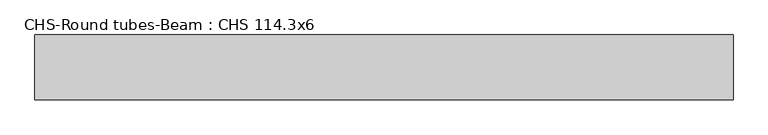
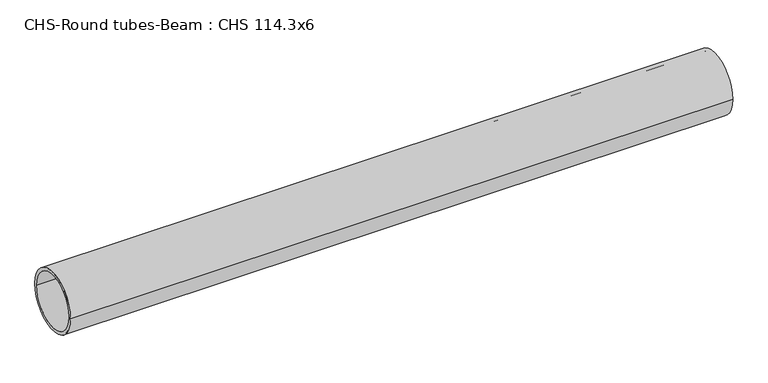
"""IFC4 building model written with IfcOpenShell, lengths in millimetres: beam geometry, CHS-Round tubes-Beam : CHS 114.3x6."""

import ifcopenshell
import ifcopenshell.guid

model = None  # the IFC model being written
_history = None  # IfcOwnerHistory: only IFC2X3 demands one
_inside = {}  # id of a spatial element -> (the spatial element, [elements in it])
_under = {}  # id of a project, library or spatial element -> (it, [spatial elements below it])
_declared = {}  # id of a project -> (the project, [libraries it declares])
_typed = {}  # id of a type object -> (the type object, [elements of that type])
_made_of = {}  # id of a material, layer set ... -> (it, [elements and type objects made of it])


def new_model(schema):
    """Start an empty IFC model of exactly this schema.

    Asked for "IFC4X3", IfcOpenShell would pick the latest addendum, in which some entities
    have other attributes; the version numbers below select the first issue.
    IFC2X3 requires an IfcOwnerHistory on every rooted entity: one is made here for all.
    """
    global model, _history
    if schema == "IFC4X3":
        model = ifcopenshell.file(schema_version=(4, 3, 0, 0))
    else:
        model = ifcopenshell.file(schema=schema)
    _inside.clear()
    _under.clear()
    _declared.clear()
    _typed.clear()
    _made_of.clear()
    _history = None
    if model.schema == "IFC2X3":
        org = make("IfcOrganization", Name="unknown")
        user = make(
            "IfcPersonAndOrganization",
            ThePerson=make("IfcPerson", FamilyName="unknown"),
            TheOrganization=org,
        )
        app = make(
            "IfcApplication",
            ApplicationDeveloper=org,
            Version="unknown",
            ApplicationFullName="unknown",
            ApplicationIdentifier="unknown",
        )
        _history = make(
            "IfcOwnerHistory",
            OwningUser=user,
            OwningApplication=app,
            ChangeAction="ADDED",
            CreationDate=0,
        )
    return model


def make(cls, **values):
    """One entity of the class cls with the attributes given. An attribute that is None is left unset."""
    return model.create_entity(
        cls, **{name: value for name, value in values.items() if value is not None}
    )


def rooted(cls, **values):
    """An entity with a GlobalId (a new one), such as an element, a storey or a relation."""
    return make(cls, GlobalId=ifcopenshell.guid.new(), OwnerHistory=_history, **values)


def si_unit(unit_type, name, prefix=None):
    """IfcSIUnit, for example si_unit("LENGTHUNIT", "METRE", prefix="MILLI")."""
    return make("IfcSIUnit", UnitType=unit_type, Prefix=prefix, Name=name)


def assignment(units):
    """IfcUnitAssignment: the units of a project."""
    return None if units is None else make("IfcUnitAssignment", Units=units)


def point(xyz):
    """IfcCartesianPoint."""
    return None if xyz is None else make("IfcCartesianPoint", Coordinates=xyz)


def direction(xyz):
    """IfcDirection."""
    return None if xyz is None else make("IfcDirection", DirectionRatios=xyz)


def frame(location, z_axis=None, x_axis=None):
    """IfcAxis2Placement3D, a coordinate frame: its origin and axes. An axis left out is left unset."""
    return make(
        "IfcAxis2Placement3D",
        Location=point(location),
        Axis=direction(z_axis),
        RefDirection=direction(x_axis),
    )


def frame_2d(location, x_axis=None):
    """IfcAxis2Placement2D, a coordinate frame in the plane: its origin and x axis."""
    return make(
        "IfcAxis2Placement2D", Location=point(location), RefDirection=direction(x_axis)
    )


def origin():
    """The frame at (0, 0, 0) with its axes left unset."""
    return frame((0.0, 0.0, 0.0))


def origin_2d():
    """The frame at (0, 0) in the plane with its x axis left unset."""
    return frame_2d((0.0, 0.0))


def place(relative_to, where):
    """IfcLocalPlacement: puts the frame where relative to a parent placement (None: the world)."""
    return make(
        "IfcLocalPlacement", PlacementRelTo=relative_to, RelativePlacement=where
    )


def context(
    kind, dimensions, precision=None, world=None, true_north=None, identifier=None
):
    """IfcGeometricRepresentationContext, for example the 3D "Model" context."""
    return make(
        "IfcGeometricRepresentationContext",
        ContextIdentifier=identifier,
        ContextType=kind,
        CoordinateSpaceDimension=dimensions,
        Precision=precision,
        WorldCoordinateSystem=world,
        TrueNorth=true_north,
    )


def project(units=None, contexts=None):
    """IfcProject with its units and contexts."""
    return rooted(
        "IfcProject",
        Name="project",
        RepresentationContexts=contexts,
        UnitsInContext=assignment(units),
    )


def spatial(cls, under=None, at=None, **own):
    """A site, building, storey or space (cls), placed at a placement, below another one or the project."""
    s = rooted(cls, ObjectPlacement=at, **own)
    if under is not None:
        _under.setdefault(under.id(), (under, []))[1].append(s)
    return s


def circle_curve(where, radius):
    """IfcCircle in the frame where."""
    return make("IfcCircle", Position=where, Radius=radius)


def trimmed(basis, trim1, trim2, sense, master):
    """IfcTrimmedCurve: the piece of a basis curve between two trims."""
    return make(
        "IfcTrimmedCurve",
        BasisCurve=basis,
        Trim1=trim1,
        Trim2=trim2,
        SenseAgreement=sense,
        MasterRepresentation=master,
    )


def segment(curve, same_sense, transition):
    """IfcCompositeCurveSegment."""
    return make(
        "IfcCompositeCurveSegment",
        Transition=transition,
        SameSense=same_sense,
        ParentCurve=curve,
    )


def composite_curve(segments, self_intersect=None):
    """IfcCompositeCurve: segments joined end to end."""
    return make("IfcCompositeCurve", Segments=segments, SelfIntersect=self_intersect)


def outline(outer, holes=None, kind="AREA"):
    """IfcArbitraryClosedProfileDef: a profile drawn as a closed curve; with holes, ...WithVoids."""
    if holes is None:
        return make("IfcArbitraryClosedProfileDef", ProfileType=kind, OuterCurve=outer)
    return make(
        "IfcArbitraryProfileDefWithVoids",
        ProfileType=kind,
        OuterCurve=outer,
        InnerCurves=holes,
    )


def extrude(swept, where, along, depth):
    """IfcExtrudedAreaSolid: the profile swept, set in the frame where, extruded along a direction by depth."""
    return make(
        "IfcExtrudedAreaSolid",
        SweptArea=swept,
        Position=where,
        ExtrudedDirection=direction(along),
        Depth=depth,
    )


def shape(context_of_items, identifier, shape_type, items):
    """IfcShapeRepresentation: the items that make up one representation, for example the "Body"."""
    return make(
        "IfcShapeRepresentation",
        ContextOfItems=context_of_items,
        RepresentationIdentifier=identifier,
        RepresentationType=shape_type,
        Items=items,
    )


def source(mapping_origin, context_of_items, identifier, shape_type, items):
    """IfcRepresentationMap: a shape defined once, which mapped items show again and again."""
    return make(
        "IfcRepresentationMap",
        MappingOrigin=mapping_origin,
        MappedRepresentation=shape(context_of_items, identifier, shape_type, items),
    )


def transform(
    local_origin,
    x_axis=None,
    y_axis=None,
    z_axis=None,
    scale=None,
    scale2=None,
    scale3=None,
    uniform=True,
):
    """IfcCartesianTransformationOperator3D, or its non-uniform kind. x_axis, y_axis, z_axis: its Axis1, 2, 3."""
    if uniform:
        return make(
            "IfcCartesianTransformationOperator3D",
            Axis1=direction(x_axis),
            Axis2=direction(y_axis),
            LocalOrigin=point(local_origin),
            Scale=scale,
            Axis3=direction(z_axis),
        )
    return make(
        "IfcCartesianTransformationOperator3DnonUniform",
        Axis1=direction(x_axis),
        Axis2=direction(y_axis),
        LocalOrigin=point(local_origin),
        Scale=scale,
        Axis3=direction(z_axis),
        Scale2=scale2,
        Scale3=scale3,
    )


def mapped(mapping_source, mapping_target):
    """IfcMappedItem: shows the shape of a source again, moved by a transform."""
    return make(
        "IfcMappedItem", MappingSource=mapping_source, MappingTarget=mapping_target
    )


def made_of(thing, what):
    """Note that an element or type object is made of a material, layer set ...; save() writes the relation."""
    if what is not None:
        _made_of.setdefault(what.id(), (what, []))[1].append(thing)
    return thing


def element(
    cls,
    number,
    at=None,
    inside=None,
    cuts=None,
    type_object=None,
    material=None,
    context=None,
    identifier="Body",
    shape_type=None,
    held_by="IfcProductDefinitionShape",
    body=None,
    shapes=None,
    **own,
):
    """One element of the class cls, such as IfcWall. Its Tag is "e" and its number.

    at: its placement. inside: the storey or other place that contains it. cuts: it is an
    opening in that element (IfcRelVoidsElement). A single representation is given by context,
    identifier, shape_type and body (its items); several are given by shapes. held_by: the class
    of the entity that holds the representations. save() writes the other relations.
    """
    e = rooted(cls, Tag="e%d" % number, ObjectPlacement=at, **own)
    if body is not None:
        shapes = [shape(context, identifier, shape_type, body)]
    if shapes is not None:
        e.Representation = make(held_by, Representations=shapes)
    if inside is not None:
        _inside.setdefault(inside.id(), (inside, []))[1].append(e)
    if cuts is not None:
        rooted(
            "IfcRelVoidsElement", RelatingBuildingElement=cuts, RelatedOpeningElement=e
        )
    if type_object is not None:
        _typed.setdefault(type_object.id(), (type_object, []))[1].append(e)
    return made_of(e, material)


def aggregate(whole, parts):
    """IfcRelAggregates: a whole, such as a stair, and the parts it consists of."""
    return rooted("IfcRelAggregates", RelatingObject=whole, RelatedObjects=parts)


def save(model, path):
    """Write the relations noted so far, then the file.

    IfcRelAggregates (storeys below a building ...), IfcRelContainedInSpatialStructure (elements
    in a storey), IfcRelDefinesByType, IfcRelAssociatesMaterial and IfcRelDeclares: one each for
    every whole, place, type object, material and project.
    """
    for whole, parts in _under.values():
        aggregate(whole, parts)
    for where, things in _inside.values():
        rooted(
            "IfcRelContainedInSpatialStructure",
            RelatedElements=things,
            RelatingStructure=where,
        )
    for kind, things in _typed.values():
        rooted("IfcRelDefinesByType", RelatedObjects=things, RelatingType=kind)
    for what, things in _made_of.values():
        rooted("IfcRelAssociatesMaterial", RelatedObjects=things, RelatingMaterial=what)
    for by, libraries in _declared.values():
        rooted("IfcRelDeclares", RelatingContext=by, RelatedDefinitions=libraries)
    model.write(path)


def chs_round_tubes_beam_chs_114_3x6_de16d263(model_context):
    return source(origin(), model_context, "Body", "SweptSolid", [
        extrude(outline(composite_curve([segment(trimmed(circle_curve(origin_2d(), 57.15), [point((57.15, 0.0))], [point((-57.15, 0.0))], False, "CARTESIAN"), True, "CONTINUOUS"), segment(trimmed(circle_curve(origin_2d(), 57.15), [point((-57.15, 0.0))], [point((57.15, 0.0))], False, "CARTESIAN"), True, "CONTINUOUS")], self_intersect=False), holes=[composite_curve([segment(trimmed(circle_curve(origin_2d(), 51.15), [point((51.15, 0.0))], [point((-51.15, 0.0))], True, "CARTESIAN"), True, "CONTINUOUS"), segment(trimmed(circle_curve(origin_2d(), 51.15), [point((-51.15, 0.0))], [point((51.15, 0.0))], True, "CARTESIAN"), True, "CONTINUOUS")], self_intersect=False)]), frame((-614.8720008, 0.0, 0.0), z_axis=(1.0, 0.0, 0.0), x_axis=(0.0, 1.0, 0.0)), (0.0, 0.0, 1.0), 1229.738457),
    ])


if __name__ == "__main__":
    model = new_model("IFC4")
    model_context = context("Model", 3, world=origin())
    ifc_project = project(units=[si_unit("LENGTHUNIT", "METRE", prefix="MILLI")], contexts=[model_context])
    site = spatial("IfcSite", under=ifc_project)
    building = spatial("IfcBuilding", under=site)
    placement = place(None, origin())
    chs_round_tubes_beam_chs_114_3x6_shape = chs_round_tubes_beam_chs_114_3x6_de16d263(model_context)
    element("IfcBeam", 1, ObjectType="CHS-Round tubes-Beam : CHS 114.3x6", at=placement, inside=building, context=model_context, shape_type="MappedRepresentation", body=[
        mapped(chs_round_tubes_beam_chs_114_3x6_shape, transform((0.0, 0.0, 0.0), x_axis=(1.0, 0.0, 0.0), y_axis=(0.0, 1.0, 0.0), z_axis=(0.0, 0.0, 1.0))),
    ])
    save(model, "model.ifc")
